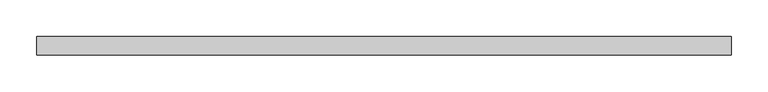
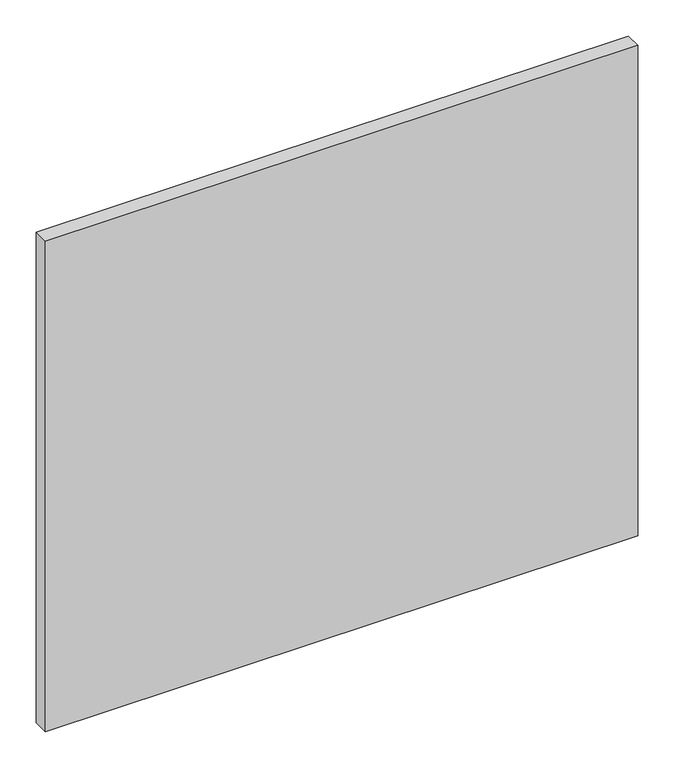
"""IFC4 building model written with IfcOpenShell, lengths in millimetres: plate geometry."""

from ifc_helpers import new_model, si_unit, origin, origin_with_axes, place, context, project, spatial, polyline, outline, extrude, source, transform, mapped, element, save


def plate_ae0dae96(model_context):
    return source(origin(), model_context, "Body", "SweptSolid", [
        extrude(outline(polyline([(471.20067, 24.5), (-471.20067, 24.5), (-471.20067, 49.5), (471.20067, 49.5), (471.20067, 24.5)])), origin_with_axes(), (0.0, 0.0, 1.0), 825.0),
    ])


if __name__ == "__main__":
    model = new_model("IFC4")
    model_context = context("Model", 3, world=origin())
    ifc_project = project(units=[si_unit("LENGTHUNIT", "METRE", prefix="MILLI")], contexts=[model_context])
    site = spatial("IfcSite", under=ifc_project)
    building = spatial("IfcBuilding", under=site)
    placement = place(None, origin())
    plate_shape = plate_ae0dae96(model_context)
    element("IfcPlate", 1, at=placement, inside=building, context=model_context, shape_type="MappedRepresentation", body=[
        mapped(plate_shape, transform((0.0, 0.0, 0.0), x_axis=(1.0, 0.0, 0.0), y_axis=(0.0, 1.0, 0.0), z_axis=(0.0, 0.0, 1.0))),
    ])
    save(model, "model.ifc")
